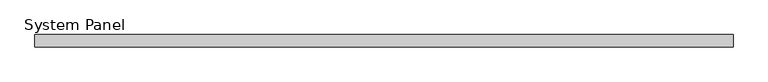
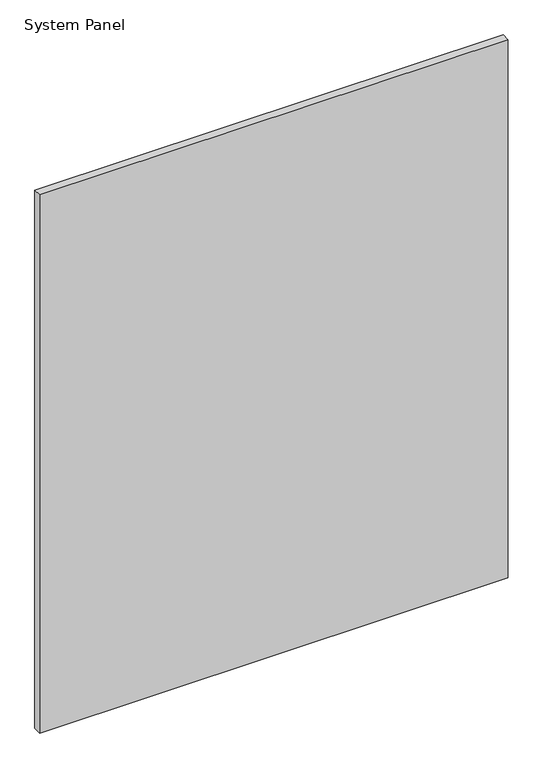
"""IFC4 building model written with IfcOpenShell, lengths in millimetres: plate geometry, System Panel."""

from ifc_helpers import new_model, si_unit, origin, origin_with_axes, place, context, project, spatial, polyline, outline, extrude, source, transform, mapped, element, save


def system_panel_bcfc0aca(model_context):
    return source(origin(), model_context, "Body", "SweptSolid", [
        extrude(outline(polyline([(732.1011624, 44.45), (-732.1011624, 44.45), (-732.1011624, 69.85), (732.1011624, 69.85), (732.1011624, 44.45)])), origin_with_axes(), (0.0, 0.0, 1.0), 1777.5850657),
    ])


if __name__ == "__main__":
    model = new_model("IFC4")
    model_context = context("Model", 3, world=origin())
    ifc_project = project(units=[si_unit("LENGTHUNIT", "METRE", prefix="MILLI")], contexts=[model_context])
    site = spatial("IfcSite", under=ifc_project)
    building = spatial("IfcBuilding", under=site)
    placement = place(None, origin())
    system_panel_shape = system_panel_bcfc0aca(model_context)
    element("IfcPlate", 1, ObjectType="System Panel", at=placement, inside=building, context=model_context, shape_type="MappedRepresentation", body=[
        mapped(system_panel_shape, transform((0.0, 0.0, 0.0), x_axis=(1.0, 0.0, 0.0), y_axis=(0.0, 1.0, 0.0), z_axis=(0.0, 0.0, 1.0))),
    ])
    save(model, "model.ifc")
